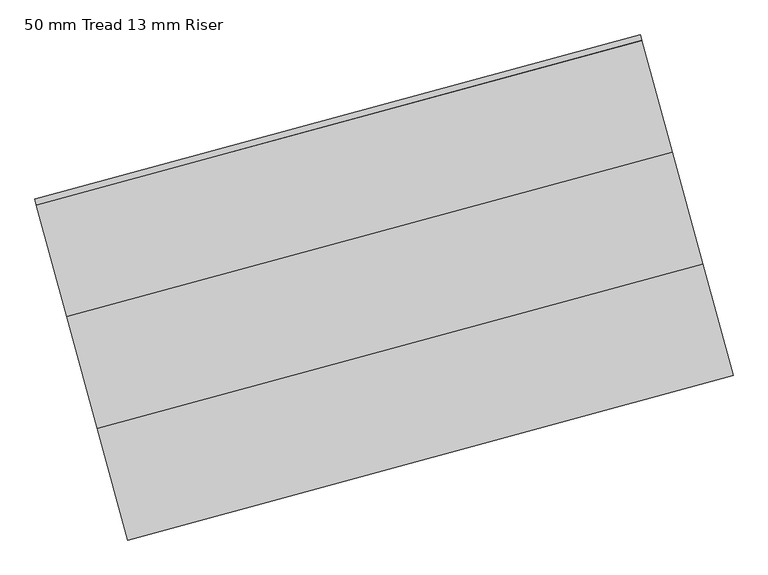
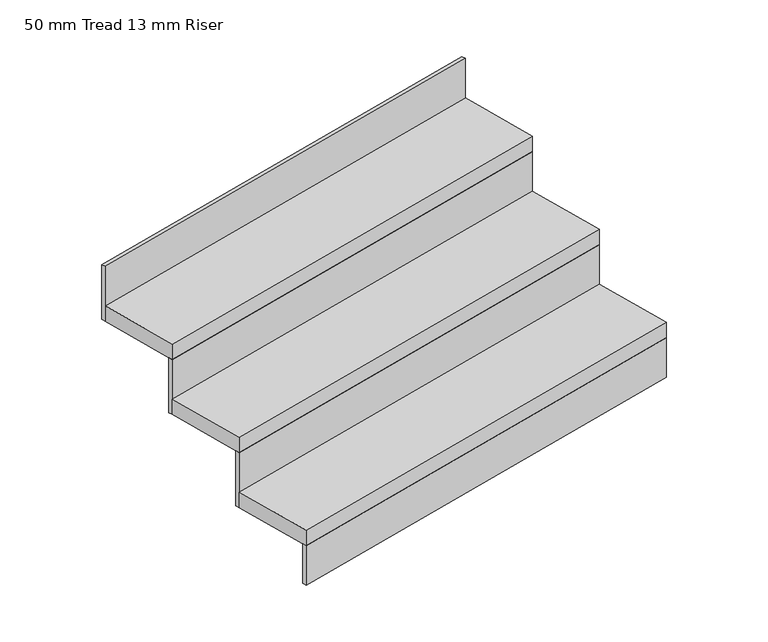
"""IFC4 building model written with IfcOpenShell, lengths in millimetres: stair flight geometry, 50 mm Tread 13 mm Riser."""

from ifc_helpers import new_model, si_unit, frame, origin, origin_with_axes, place, context, project, spatial, polyline, outline, extrude, source, transform, mapped, element, save


def stair_flight_50_mm_tread_13_mm_riser_af8d1ccf(model_context):
    return source(origin(), model_context, "Body", "SweptSolid", [
        extrude(outline(polyline([(140937.6225177, -86069.1791301), (140940.9011282, -86081.2414977), (139634.4567377, -86436.3394661), (139631.1781273, -86424.2770984), (140937.6225177, -86069.1791301)])), origin_with_axes(), (0.0, 0.0, 1.0), 127.7777778),
        extrude(outline(polyline([(139568.8845285, -86195.092113), (140875.3289189, -85839.9941446), (140940.9011282, -86081.2414977), (139634.4567377, -86436.3394661), (139568.8845285, -86195.092113)])), frame((0.0, 0.0, 127.7777778), z_axis=(0.0, 0.0, 1.0), x_axis=(1.0, 0.0, 0.0)), (0.0, 0.0, 1.0), 50.0),
        extrude(outline(polyline([(140872.0503085, -85827.931777), (140875.3289189, -85839.9941446), (139568.8845285, -86195.092113), (139565.605918, -86183.0297453), (140872.0503085, -85827.931777)])), frame((0.0, 0.0, 127.7777778), z_axis=(0.0, 0.0, 1.0), x_axis=(1.0, 0.0, 0.0)), (0.0, 0.0, 1.0), 177.7777778),
        extrude(outline(polyline([(139503.3123192, -85953.8447599), (140809.7567097, -85598.7467915), (140875.3289189, -85839.9941446), (139568.8845285, -86195.092113), (139503.3123192, -85953.8447599)])), frame((0.0, 0.0, 305.5555556), z_axis=(0.0, 0.0, 1.0), x_axis=(1.0, 0.0, 0.0)), (0.0, 0.0, 1.0), 50.0),
        extrude(outline(polyline([(140806.4780992, -85586.6844239), (140809.7567097, -85598.7467915), (139503.3123192, -85953.8447599), (139500.0337087, -85941.7823923), (140806.4780992, -85586.6844239)])), frame((0.0, 0.0, 305.5555556), z_axis=(0.0, 0.0, 1.0), x_axis=(1.0, 0.0, 0.0)), (0.0, 0.0, 1.0), 177.7777778),
        extrude(outline(polyline([(140740.90589, -85345.4370708), (140744.1845004, -85357.4994384), (139437.7401099, -85712.5974068), (139434.4614995, -85700.5350392), (140740.90589, -85345.4370708)])), frame((0.0, 0.0, 483.3333333), z_axis=(0.0, 0.0, 1.0), x_axis=(1.0, 0.0, 0.0)), (0.0, 0.0, 1.0), 177.7777778),
        extrude(outline(polyline([(139437.7401099, -85712.5974068), (140744.1845004, -85357.4994384), (140809.7567097, -85598.7467915), (139503.3123192, -85953.8447599), (139437.7401099, -85712.5974068)])), frame((0.0, 0.0, 483.3333333), z_axis=(0.0, 0.0, 1.0), x_axis=(1.0, 0.0, 0.0)), (0.0, 0.0, 1.0), 50.0),
    ])


if __name__ == "__main__":
    model = new_model("IFC4")
    model_context = context("Model", 3, world=origin())
    ifc_project = project(units=[si_unit("LENGTHUNIT", "METRE", prefix="MILLI")], contexts=[model_context])
    site = spatial("IfcSite", under=ifc_project)
    building = spatial("IfcBuilding", under=site)
    placement = place(None, origin())
    stair_flight_50_mm_tread_13_mm_riser_shape = stair_flight_50_mm_tread_13_mm_riser_af8d1ccf(model_context)
    element("IfcStairFlight", 1, ObjectType="50 mm Tread 13 mm Riser", at=placement, inside=building, context=model_context, shape_type="MappedRepresentation", body=[
        mapped(stair_flight_50_mm_tread_13_mm_riser_shape, transform((0.0, 0.0, 0.0), x_axis=(1.0, 0.0, 0.0), y_axis=(0.0, 1.0, 0.0), z_axis=(0.0, 0.0, 1.0))),
    ])
    save(model, "model.ifc")
